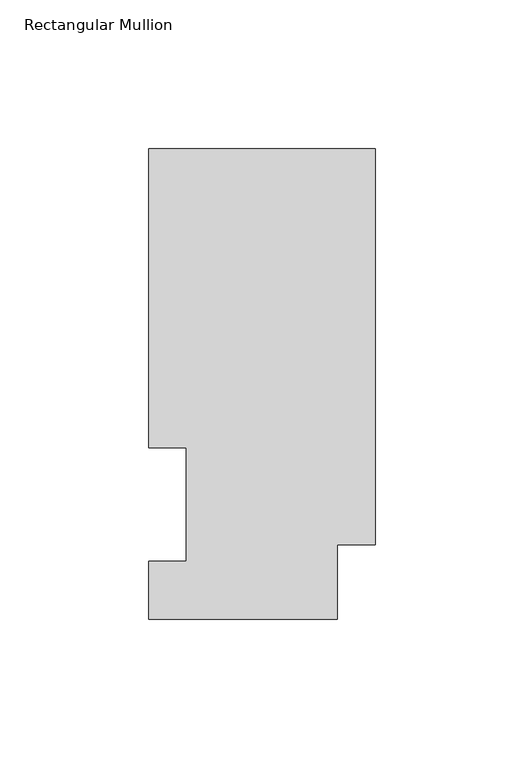
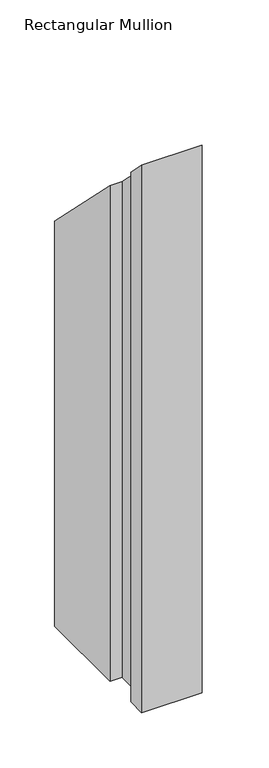
"""IFC4 building model written with IfcOpenShell, lengths in millimetres: member geometry, Rectangular Mullion."""

from ifc_helpers import new_model, si_unit, origin, place, context, project, spatial, faceted_brep, source, transform, mapped, element, save


def rectangular_mullion_b9151ffc(model_context):
    return source(origin(), model_context, "Body", "Brep", [
        faceted_brep([(-76.2, 158.3316937, -609.56825), (0.0, 158.3316937, -609.56825), (0.0, 25.0832937, -609.56825), (-12.7, 25.0832937, -609.56825), (-12.7, 0.0134937, -609.56825), (-76.2, 0.0134937, -609.56825), (-76.2, 19.5460937, -609.56825), (-63.5, 19.5460937, -609.56825), (-63.5, 57.6460938, -609.56825), (-76.2, 57.6460938, -609.56825), (-76.2, 57.6460938, -57.6460938), (-76.2, 158.3316937, -158.3316937), (-63.5, 57.6460938, -57.6460937), (-63.5, 19.5460937, -19.5460937), (-76.2, 19.5460937, -19.5460937), (-76.2, 0.0134937, -0.0134937), (-12.7, 0.0134937, -0.0134937), (-12.7, 25.0832937, -25.0832937), (0.0, 25.0832937, -25.0832937), (0.0, 158.3316937, -158.3316937)], [[[0, 1, 2, 3, 4, 5, 6, 7, 8, 9]], [[10, 11, 0, 9]], [[12, 10, 9, 8]], [[13, 12, 8, 7]], [[14, 13, 7, 6]], [[15, 14, 6, 5]], [[16, 15, 5, 4]], [[17, 16, 4, 3]], [[18, 17, 3, 2]], [[19, 18, 2, 1]], [[11, 19, 1, 0]], [[11, 10, 12, 13, 14, 15, 16, 17, 18, 19]]]),
    ])


if __name__ == "__main__":
    model = new_model("IFC4")
    model_context = context("Model", 3, world=origin())
    ifc_project = project(units=[si_unit("LENGTHUNIT", "METRE", prefix="MILLI")], contexts=[model_context])
    site = spatial("IfcSite", under=ifc_project)
    building = spatial("IfcBuilding", under=site)
    placement = place(None, origin())
    rectangular_mullion_shape = rectangular_mullion_b9151ffc(model_context)
    element("IfcMember", 1, ObjectType="Rectangular Mullion", at=placement, inside=building, context=model_context, shape_type="MappedRepresentation", body=[
        mapped(rectangular_mullion_shape, transform((0.0, 0.0, 0.0), x_axis=(1.0, 0.0, 0.0), y_axis=(0.0, 1.0, 0.0), z_axis=(0.0, 0.0, 1.0))),
    ])
    save(model, "model.ifc")
